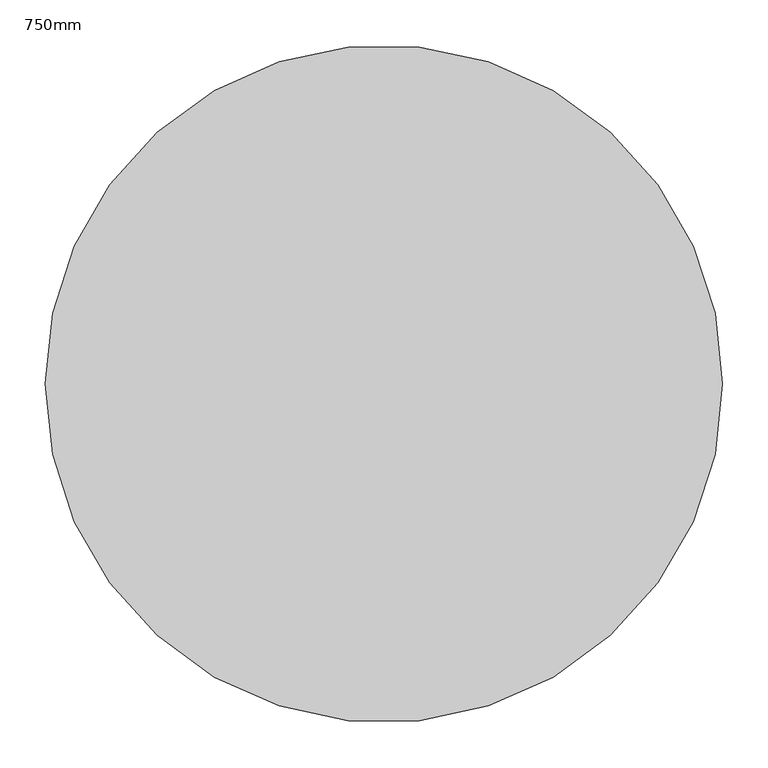
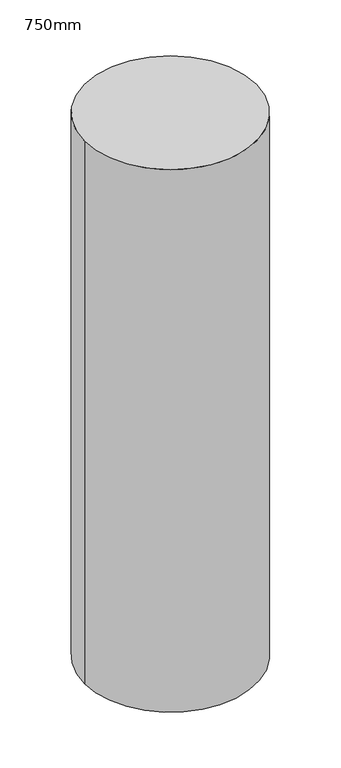
"""IFC4 building model written with IfcOpenShell, lengths in millimetres: column geometry, 750mm."""

from ifc_helpers import new_model, si_unit, point, origin, origin_with_axes, origin_2d, place, context, project, spatial, circle_curve, trimmed, segment, composite_curve, outline, extrude, source, transform, mapped, element, save


def column_750mm_7610df77(model_context):
    return source(origin(), model_context, "Body", "SweptSolid", [
        extrude(outline(composite_curve([segment(trimmed(circle_curve(origin_2d(), 375.0), [point((-375.0, 0.0))], [point((375.0, 0.0))], False, "CARTESIAN"), True, "CONTINUOUS"), segment(trimmed(circle_curve(origin_2d(), 375.0), [point((375.0, 0.0))], [point((-375.0, 0.0))], False, "CARTESIAN"), True, "CONTINUOUS")], self_intersect=False)), origin_with_axes(), (0.0, 0.0, 1.0), 2500.0),
    ])


if __name__ == "__main__":
    model = new_model("IFC4")
    model_context = context("Model", 3, world=origin())
    ifc_project = project(units=[si_unit("LENGTHUNIT", "METRE", prefix="MILLI")], contexts=[model_context])
    site = spatial("IfcSite", under=ifc_project)
    building = spatial("IfcBuilding", under=site)
    placement = place(None, origin())
    column_750mm_shape = column_750mm_7610df77(model_context)
    element("IfcColumn", 1, ObjectType="750mm", at=placement, inside=building, context=model_context, shape_type="MappedRepresentation", body=[
        mapped(column_750mm_shape, transform((0.0, 0.0, 0.0), x_axis=(1.0, 0.0, 0.0), y_axis=(0.0, 1.0, 0.0), z_axis=(0.0, 0.0, 1.0))),
    ])
    save(model, "model.ifc")
